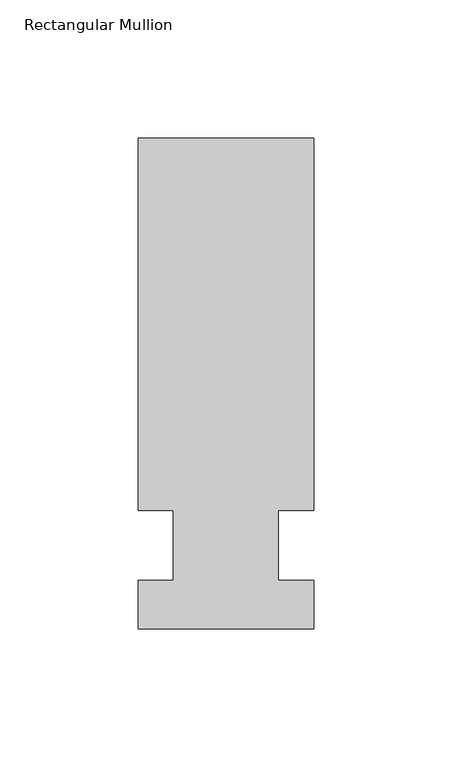
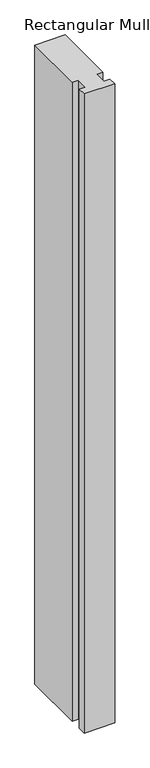
"""IFC4 building model written with IfcOpenShell, lengths in millimetres: member geometry, Rectangular Mullion."""

from ifc_helpers import new_model, si_unit, frame, origin, place, context, project, spatial, polyline, outline, extrude, source, transform, mapped, element, save


def rectangular_mullion_7314c976(model_context):
    return source(origin(), model_context, "Body", "SweptSolid", [
        extrude(outline(polyline([(36.0844027, 147.6375), (36.0844027, 12.7), (23.3826322, 12.7), (23.3826322, -12.7), (36.0844027, -12.7), (36.0844027, -30.1625), (-27.4155973, -30.1625), (-27.4155973, -12.7), (-14.7155973, -12.7), (-14.7155973, 12.7), (-27.4155973, 12.7), (-27.4155973, 147.6375), (36.0844027, 147.6375)])), frame((0.0, 0.0, -1406.6260693), z_axis=(0.0, 0.0, 1.0), x_axis=(1.0, 0.0, 0.0)), (0.0, 0.0, 1.0), 1406.6260693),
    ])


if __name__ == "__main__":
    model = new_model("IFC4")
    model_context = context("Model", 3, world=origin())
    ifc_project = project(units=[si_unit("LENGTHUNIT", "METRE", prefix="MILLI")], contexts=[model_context])
    site = spatial("IfcSite", under=ifc_project)
    building = spatial("IfcBuilding", under=site)
    placement = place(None, origin())
    rectangular_mullion_shape = rectangular_mullion_7314c976(model_context)
    element("IfcMember", 1, ObjectType="Rectangular Mullion", at=placement, inside=building, context=model_context, shape_type="MappedRepresentation", body=[
        mapped(rectangular_mullion_shape, transform((0.0, 0.0, 0.0), x_axis=(1.0, 0.0, 0.0), y_axis=(0.0, 1.0, 0.0), z_axis=(0.0, 0.0, 1.0))),
    ])
    save(model, "model.ifc")
